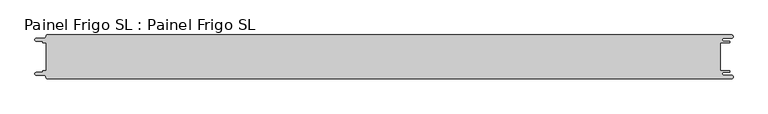
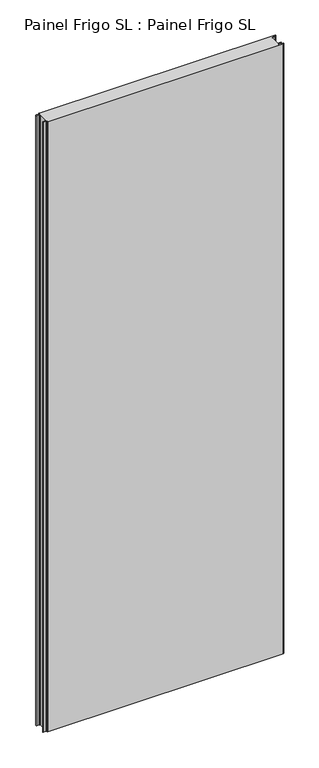
"""IFC4 building model written with IfcOpenShell, lengths in millimetres: proxy geometry, Painel Frigo SL : Painel Frigo SL."""

from ifc_helpers import new_model, si_unit, frame, origin, place, context, project, spatial, polyline, circle_curve, source, transform, mapped, element, save
from ifc_brep_helpers import plane_surface, cylinder_surface, revolved_surface, advanced_brep


def painel_frigo_sl_painel_frigo_sl_8b72d2b6(model_context):
    return source(origin(), model_context, "Body", "AdvancedBrep", [
        advanced_brep(
        [(-554.5874998, 22.3, 3000.0), (-549.2999612, 22.3, 3000.0), (-549.2999612, -22.2999995, 3000.0), (-554.5874998, -22.2999995, 3000.0), (-555.1875003, -22.9, 3000.0), (-555.1875003, -23.7085185, 3000.0), (-556.5875003, -25.1085185, 3000.0), (-565.565625, -25.1085185, 3000.0), (-565.565625, -29.5085185, 3000.0), (-553.55, -29.5085185, 3000.0), (-550.0, -33.0585185, 3000.0), (-548.05, -35.0, 3000.0), (546.89375, -35.0, 3000.0), (546.89375, -29.725, 3000.0), (534.45625, -29.725, 3000.0), (534.45625, -24.875, 3000.0), (543.1187503, -24.875, 3000.0), (543.1187503, -22.3, 3000.0), (529.2687503, -22.3, 3000.0), (529.2687503, 22.3, 3000.0), (543.1187503, 22.3, 3000.0), (543.1187503, 24.875, 3000.0), (534.45625, 24.875, 3000.0), (534.45625, 29.725, 3000.0), (546.89375, 29.725, 3000.0), (546.89375, 35.0, 3000.0), (-548.05, 35.0, 3000.0), (-550.0, 33.05, 3000.0), (-553.55, 29.5085185, 3000.0), (-565.565625, 29.5085185, 3000.0), (-565.565625, 25.1085187, 3000.0), (-556.5875001, 25.1085187, 3000.0), (-555.1874998, 23.7085184, 3000.0), (-555.1874998, 22.9, 3000.0), (-554.5874998, 22.3, 0.0), (-555.1874998, 22.9, 0.0), (-555.1874998, 23.7085184, 0.0), (-556.5875001, 25.1085187, 0.0), (-565.565625, 25.1085187, 0.0), (-565.565625, 29.5085185, 0.0), (-553.55, 29.5085185, 0.0), (-550.0, 33.0585185, 0.0), (-548.05, 35.0, 0.0), (546.89375, 35.0, 0.0), (546.89375, 29.725, 0.0), (534.45625, 29.725, 0.0), (534.45625, 24.875, 0.0), (543.1187503, 24.875, 0.0), (543.1187503, 22.3, 0.0), (529.2687503, 22.3, 0.0), (529.2687503, -22.3, 0.0), (543.1187503, -22.3, 0.0), (543.1187503, -24.875, 0.0), (534.45625, -24.875, 0.0), (534.45625, -29.725, 0.0), (546.89375, -29.725, 0.0), (546.89375, -35.0, 0.0), (-548.05, -35.0, 0.0), (-550.0, -33.05, 0.0), (-553.55, -29.5085185, 0.0), (-565.565625, -29.5085185, 0.0), (-565.565625, -25.1085185, 0.0), (-556.5875003, -25.1085185, 0.0), (-555.1875003, -23.7085185, 0.0), (-555.1875003, -22.9, 0.0), (-554.5874998, -22.2999995, 0.0), (-549.2999612, -22.2999995, 0.0), (-549.2999612, 22.3, 0.0)],
        [
            (0, 1),
            (1, 2),
            (2, 3),
            (3, 4, circle_curve(frame((-554.5874998, -22.9, 3000.0), z_axis=(0.0, 0.0, 1.0), x_axis=(1.0, 0.0, 0.0)), 0.6000005)),
            (4, 5),
            (5, 6, circle_curve(frame((-556.5875003, -23.7085185, 3000.0), z_axis=(0.0, 0.0, -1.0), x_axis=(1.0, 0.0, 0.0)), 1.4)),
            (6, 7),
            (7, 8, circle_curve(frame((-565.565625, -27.3085185, 3000.0), z_axis=(0.0, 0.0, 1.0), x_axis=(1.0, 0.0, 0.0)), 2.2)),
            (8, 9),
            (9, 10, circle_curve(frame((-553.55, -33.0585185, 3000.0), z_axis=(0.0, 0.0, -1.0), x_axis=(1.0, 0.0, 0.0)), 3.55)),
            (10, 11, circle_curve(frame((-548.05, -33.05, 3000.0), z_axis=(0.0, 0.0, 1.0), x_axis=(1.0, 0.0, 0.0)), 1.95)),
            (11, 12),
            (12, 13, circle_curve(frame((546.89375, -32.3625, 3000.0), z_axis=(0.0, 0.0, 1.0), x_axis=(1.0, 0.0, 0.0)), 2.6375)),
            (13, 14),
            (14, 15, circle_curve(frame((534.45625, -27.3, 3000.0), z_axis=(0.0, 0.0, -1.0), x_axis=(1.0, 0.0, 0.0)), 2.425)),
            (15, 16),
            (16, 17, circle_curve(frame((543.1187503, -23.5875, 3000.0), z_axis=(0.0, 0.0, 1.0), x_axis=(1.0, 0.0, 0.0)), 1.2875)),
            (17, 18),
            (18, 19),
            (19, 20),
            (20, 21, circle_curve(frame((543.1187503, 23.5875, 3000.0), z_axis=(0.0, 0.0, 1.0), x_axis=(1.0, 0.0, 0.0)), 1.2875)),
            (21, 22),
            (22, 23, circle_curve(frame((534.45625, 27.3, 3000.0), z_axis=(0.0, 0.0, -1.0), x_axis=(1.0, 0.0, 0.0)), 2.425)),
            (23, 24),
            (24, 25, circle_curve(frame((546.89375, 32.3625, 3000.0), z_axis=(0.0, 0.0, 1.0), x_axis=(1.0, 0.0, 0.0)), 2.6375)),
            (25, 26),
            (26, 27, circle_curve(frame((-548.05, 33.05, 3000.0), z_axis=(0.0, 0.0, 1.0), x_axis=(1.0, 0.0, 0.0)), 1.95)),
            (27, 28, circle_curve(frame((-553.55, 33.0585185, 3000.0), z_axis=(0.0, 0.0, -1.0), x_axis=(1.0, 0.0, 0.0)), 3.55)),
            (28, 29),
            (29, 30, circle_curve(frame((-565.565625, 27.3085186, 3000.0), z_axis=(0.0, 0.0, 1.0), x_axis=(1.0, 0.0, 0.0)), 2.1999999)),
            (30, 31),
            (31, 32, circle_curve(frame((-556.5875001, 23.7085184, 3000.0), z_axis=(0.0, 0.0, -1.0), x_axis=(1.0, 0.0, 0.0)), 1.4000003)),
            (32, 33),
            (33, 0, circle_curve(frame((-554.5874998, 22.9, 3000.0), z_axis=(0.0, 0.0, 1.0), x_axis=(1.0, 0.0, 0.0)), 0.6)),
            (34, 35, circle_curve(frame((-554.5874998, 22.9, 0.0), z_axis=(0.0, 0.0, -1.0), x_axis=(1.0, 0.0, 0.0)), 0.6)),
            (35, 36),
            (36, 37, circle_curve(frame((-556.5875001, 23.7085184, 0.0), z_axis=(0.0, 0.0, 1.0), x_axis=(1.0, 0.0, 0.0)), 1.4000003)),
            (37, 38),
            (38, 39, circle_curve(frame((-565.565625, 27.3085186, 0.0), z_axis=(0.0, 0.0, -1.0), x_axis=(1.0, 0.0, 0.0)), 2.1999999)),
            (39, 40),
            (40, 41, circle_curve(frame((-553.55, 33.0585185, 0.0), z_axis=(0.0, 0.0, 1.0), x_axis=(1.0, 0.0, 0.0)), 3.55)),
            (41, 42, circle_curve(frame((-548.05, 33.05, 0.0), z_axis=(0.0, 0.0, -1.0), x_axis=(1.0, 0.0, 0.0)), 1.95)),
            (42, 43),
            (43, 44, circle_curve(frame((546.89375, 32.3625, 0.0), z_axis=(0.0, 0.0, -1.0), x_axis=(1.0, 0.0, 0.0)), 2.6375)),
            (44, 45),
            (45, 46, circle_curve(frame((534.45625, 27.3, 0.0), z_axis=(0.0, 0.0, 1.0), x_axis=(1.0, 0.0, 0.0)), 2.425)),
            (46, 47),
            (47, 48, circle_curve(frame((543.1187503, 23.5875, 0.0), z_axis=(0.0, 0.0, -1.0), x_axis=(1.0, 0.0, 0.0)), 1.2875)),
            (48, 49),
            (49, 50),
            (50, 51),
            (51, 52, circle_curve(frame((543.1187503, -23.5875, 0.0), z_axis=(0.0, 0.0, -1.0), x_axis=(1.0, 0.0, 0.0)), 1.2875)),
            (52, 53),
            (53, 54, circle_curve(frame((534.45625, -27.3, 0.0), z_axis=(0.0, 0.0, 1.0), x_axis=(1.0, 0.0, 0.0)), 2.425)),
            (54, 55),
            (55, 56, circle_curve(frame((546.89375, -32.3625, 0.0), z_axis=(0.0, 0.0, -1.0), x_axis=(1.0, 0.0, 0.0)), 2.6375)),
            (56, 57),
            (57, 58, circle_curve(frame((-548.05, -33.05, 0.0), z_axis=(0.0, 0.0, -1.0), x_axis=(1.0, 0.0, 0.0)), 1.95)),
            (58, 59, circle_curve(frame((-553.55, -33.0585185, 0.0), z_axis=(0.0, 0.0, 1.0), x_axis=(1.0, 0.0, 0.0)), 3.55)),
            (59, 60),
            (60, 61, circle_curve(frame((-565.565625, -27.3085185, 0.0), z_axis=(0.0, 0.0, -1.0), x_axis=(1.0, 0.0, 0.0)), 2.2)),
            (61, 62),
            (62, 63, circle_curve(frame((-556.5875003, -23.7085185, 0.0), z_axis=(0.0, 0.0, 1.0), x_axis=(1.0, 0.0, 0.0)), 1.4)),
            (63, 64),
            (64, 65, circle_curve(frame((-554.5874998, -22.9, 0.0), z_axis=(0.0, 0.0, -1.0), x_axis=(1.0, 0.0, 0.0)), 0.6000005)),
            (65, 66),
            (66, 67),
            (67, 34),
            (0, 34),
            (67, 1),
            (66, 2),
            (65, 3),
            (64, 4),
            (63, 5),
            (62, 6),
            (61, 7),
            (60, 8),
            (59, 9),
            (58, 10),
            (57, 11),
            (56, 12),
            (18, 50),
            (49, 19),
            (48, 20),
            (47, 21),
            (46, 22),
            (45, 23),
            (44, 24),
            (43, 25),
            (42, 26),
            (41, 27),
            (40, 28),
            (39, 29),
            (38, 30),
            (37, 31),
            (36, 32),
            (35, 33),
            (55, 13),
            (54, 14),
            (53, 15),
            (52, 16),
            (51, 17),
        ],
        [
            plane_surface(frame((-549.2999612, 22.3, 3000.0), z_axis=(0.0, 0.0, 1.0), x_axis=(1.0, 0.0, 0.0))),
            plane_surface(frame((-549.2999612, 22.3, 0.0), z_axis=(0.0, 0.0, -1.0), x_axis=(-1.0, 0.0, 0.0))),
            plane_surface(frame((-554.5874998, 22.3, 3000.0), z_axis=(0.0, -1.0, 0.0), x_axis=(0.0, 0.0, -1.0))),
            plane_surface(frame((-549.2999612, 22.3, 3000.0), z_axis=(-1.0, 0.0, 0.0), x_axis=(0.0, 0.0, -1.0))),
            plane_surface(frame((-549.2999612, -22.2999995, 3000.0), z_axis=(0.0, 1.0, 0.0), x_axis=(0.0, 0.0, -1.0))),
            cylinder_surface(frame((-554.5874998, -22.9, 0.0), z_axis=(0.0, 0.0, 1.0), x_axis=(1.0, 0.0, 0.0)), 0.6000005),
            plane_surface(frame((-555.1875003, -22.9, 3000.0), z_axis=(-1.0, 1.7578608662329244e-12, 0.0), x_axis=(0.0, 0.0, -1.0))),
            revolved_surface(polyline([(-555.1875003, -23.7085185, 0.0), (-555.1875003, -23.7085185, 3000.0)]), (-556.5875003, -23.7085185, 0.0), (0.0, 0.0, -1.0)),
            plane_surface(frame((-556.5875003, -25.1085185, 3000.0), z_axis=(0.0, 1.0, 0.0), x_axis=(0.0, 0.0, -1.0))),
            cylinder_surface(frame((-565.565625, -27.3085185, 0.0), z_axis=(0.0, 0.0, 1.0), x_axis=(1.0, 0.0, 0.0)), 2.2),
            plane_surface(frame((-565.565625, -29.5085185, 3000.0), z_axis=(0.0, -1.0, 0.0), x_axis=(0.0, 0.0, -1.0))),
            revolved_surface(polyline([(-550.0, -33.0585185, 0.0), (-550.0, -33.0585185, 3000.0)]), (-553.55, -33.0585185, 0.0), (0.0, 0.0, -1.0)),
            cylinder_surface(frame((-548.05, -33.05, 0.0), z_axis=(0.0, 0.0, 1.0), x_axis=(1.0, 0.0, 0.0)), 1.95),
            plane_surface(frame((-548.05, -35.0, 3000.0), z_axis=(0.0, -1.0, 0.0), x_axis=(0.0, 0.0, -1.0))),
            plane_surface(frame((529.2687503, -22.3, 3000.0), z_axis=(1.0, 0.0, 0.0), x_axis=(0.0, 0.0, -1.0))),
            plane_surface(frame((529.2687503, 22.3, 3000.0), z_axis=(0.0, -1.0, 0.0), x_axis=(0.0, 0.0, -1.0))),
            cylinder_surface(frame((543.1187503, 23.5875, 0.0), z_axis=(0.0, 0.0, 1.0), x_axis=(1.0, 0.0, 0.0)), 1.2875),
            plane_surface(frame((543.1187503, 24.875, 3000.0), z_axis=(0.0, 1.0, 0.0), x_axis=(0.0, 0.0, -1.0))),
            revolved_surface(polyline([(536.8812499999999, 27.3, 0.0), (536.8812499999999, 27.3, 3000.0)]), (534.45625, 27.3, 0.0), (0.0, 0.0, -1.0)),
            plane_surface(frame((534.45625, 29.725, 3000.0), z_axis=(0.0, -1.0, 0.0), x_axis=(0.0, 0.0, -1.0))),
            cylinder_surface(frame((546.89375, 32.3625, 0.0), z_axis=(0.0, 0.0, 1.0), x_axis=(1.0, 0.0, 0.0)), 2.6375),
            plane_surface(frame((546.89375, 35.0, 3000.0), z_axis=(0.0, 1.0, 0.0), x_axis=(0.0, 0.0, -1.0))),
            cylinder_surface(frame((-548.05, 33.05, 0.0), z_axis=(0.0, 0.0, 1.0), x_axis=(1.0, 0.0, 0.0)), 1.95),
            revolved_surface(polyline([(-550.0, 33.0585185, 0.0), (-550.0, 33.0585185, 3000.0)]), (-553.55, 33.0585185, 0.0), (0.0, 0.0, -1.0)),
            plane_surface(frame((-553.55, 29.5085185, 3000.0), z_axis=(0.0, 1.0, 0.0), x_axis=(0.0, 0.0, -1.0))),
            cylinder_surface(frame((-565.565625, 27.3085186, 0.0), z_axis=(0.0, 0.0, 1.0), x_axis=(1.0, 0.0, 0.0)), 2.1999999),
            plane_surface(frame((-565.565625, 25.1085187, 3000.0), z_axis=(0.0, -1.0, 0.0), x_axis=(0.0, 0.0, -1.0))),
            revolved_surface(polyline([(-555.1874998000001, 23.7085184, 0.0), (-555.1874998000001, 23.7085184, 3000.0)]), (-556.5875001, 23.7085184, 0.0), (0.0, 0.0, -1.0)),
            plane_surface(frame((-555.1874998, 23.7085184, 3000.0), z_axis=(-1.0, 0.0, 0.0), x_axis=(0.0, 0.0, -1.0))),
            cylinder_surface(frame((-554.5874998, 22.9, 0.0), z_axis=(0.0, 0.0, 1.0), x_axis=(1.0, 0.0, 0.0)), 0.6),
            cylinder_surface(frame((546.89375, -32.3625, 0.0), z_axis=(0.0, 0.0, 1.0), x_axis=(1.0, 0.0, 0.0)), 2.6375),
            plane_surface(frame((546.89375, -29.725, 3000.0), z_axis=(0.0, 1.0, 0.0), x_axis=(0.0, 0.0, -1.0))),
            revolved_surface(polyline([(536.8812499999999, -27.3, 0.0), (536.8812499999999, -27.3, 3000.0)]), (534.45625, -27.3, 0.0), (0.0, 0.0, -1.0)),
            plane_surface(frame((534.45625, -24.875, 3000.0), z_axis=(0.0, -1.0, 0.0), x_axis=(0.0, 0.0, -1.0))),
            cylinder_surface(frame((543.1187503, -23.5875, 0.0), z_axis=(0.0, 0.0, 1.0), x_axis=(1.0, 0.0, 0.0)), 1.2875),
            plane_surface(frame((543.1187503, -22.3, 3000.0), z_axis=(0.0, 1.0, 0.0), x_axis=(0.0, 0.0, -1.0))),
        ],
        [
            (0, [[1, 2, 3, 4, 5, 6, 7, 8, 9, 10, 11, 12, 13, 14, 15, 16, 17, 18, 19, 20, 21, 22, 23, 24, 25, 26, 27, 28, 29, 30, 31, 32, 33, 34]]),
            (1, [[35, 36, 37, 38, 39, 40, 41, 42, 43, 44, 45, 46, 47, 48, 49, 50, 51, 52, 53, 54, 55, 56, 57, 58, 59, 60, 61, 62, 63, 64, 65, 66, 67, 68]]),
            (2, [[-1, 69, -68, 70]]),
            (3, [[-2, -70, -67, 71]]),
            (4, [[-3, -71, -66, 72]]),
            (5, [[-4, -72, -65, 73]]),
            (6, [[-5, -73, -64, 74]]),
            (7, [[-6, -74, -63, 75]]),
            (8, [[-7, -75, -62, 76]]),
            (9, [[-8, -76, -61, 77]]),
            (10, [[-9, -77, -60, 78]]),
            (11, [[-10, -78, -59, 79]]),
            (12, [[-11, -79, -58, 80]]),
            (13, [[-12, -80, -57, 81]]),
            (14, [[-19, 82, -50, 83]]),
            (15, [[-20, -83, -49, 84]]),
            (16, [[-21, -84, -48, 85]]),
            (17, [[-22, -85, -47, 86]]),
            (18, [[-23, -86, -46, 87]]),
            (19, [[-24, -87, -45, 88]]),
            (20, [[-25, -88, -44, 89]]),
            (21, [[-26, -89, -43, 90]]),
            (22, [[-27, -90, -42, 91]]),
            (23, [[-28, -91, -41, 92]]),
            (24, [[-29, -92, -40, 93]]),
            (25, [[-30, -93, -39, 94]]),
            (26, [[-31, -94, -38, 95]]),
            (27, [[-32, -95, -37, 96]]),
            (28, [[-33, -96, -36, 97]]),
            (29, [[-34, -97, -35, -69]]),
            (30, [[-13, -81, -56, 98]]),
            (31, [[-14, -98, -55, 99]]),
            (32, [[-15, -99, -54, 100]]),
            (33, [[-16, -100, -53, 101]]),
            (34, [[-17, -101, -52, 102]]),
            (35, [[-18, -102, -51, -82]]),
        ],
    ),
    ])


if __name__ == "__main__":
    model = new_model("IFC4")
    model_context = context("Model", 3, world=origin())
    ifc_project = project(units=[si_unit("LENGTHUNIT", "METRE", prefix="MILLI")], contexts=[model_context])
    site = spatial("IfcSite", under=ifc_project)
    building = spatial("IfcBuilding", under=site)
    placement = place(None, origin())
    painel_frigo_sl_painel_frigo_sl_shape = painel_frigo_sl_painel_frigo_sl_8b72d2b6(model_context)
    element("IfcBuildingElementProxy", 1, Name="Painel Frigo SL : Painel Frigo SL", ObjectType="Painel Frigo SL : Painel Frigo SL", at=placement, inside=building, context=model_context, shape_type="MappedRepresentation", body=[
        mapped(painel_frigo_sl_painel_frigo_sl_shape, transform((0.0, 0.0, 0.0), x_axis=(1.0, 0.0, 0.0), y_axis=(0.0, 1.0, 0.0), z_axis=(0.0, 0.0, 1.0))),
    ])
    save(model, "model.ifc")
